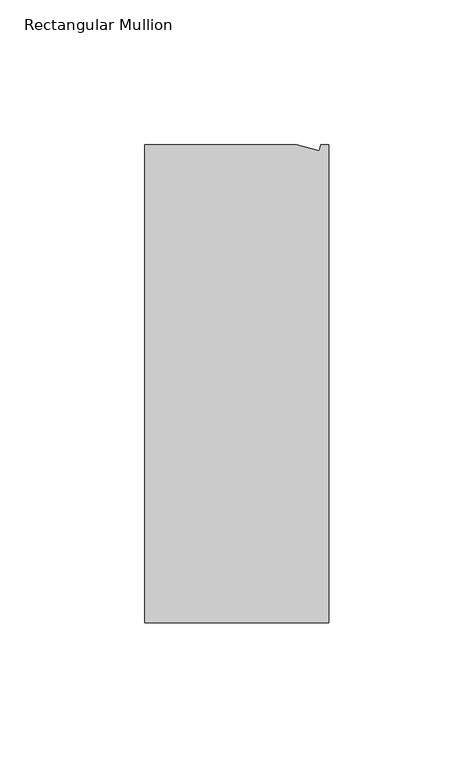
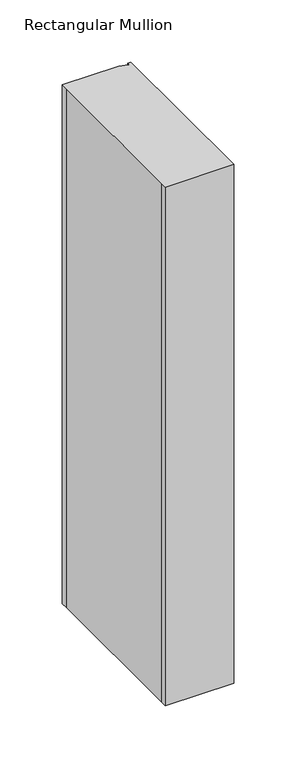
"""IFC4 building model written with IfcOpenShell, lengths in millimetres: member geometry, Rectangular Mullion."""

from ifc_helpers import new_model, si_unit, frame, origin, place, context, project, spatial, polyline, outline, extrude, source, transform, mapped, element, save


def rectangular_mullion_58906d08(model_context):
    return source(origin(), model_context, "Body", "SweptSolid", [
        extrude(outline(polyline([(0.0, -132.5561012), (-63.5, -132.5561012), (-63.5, -126.2061012), (-63.5, 26.1938988), (-63.5, 32.5438988), (-11.1125, 32.5438988), (-3.3223696, 30.4565397), (-2.7630634, 32.5438988), (0.0, 32.5438988), (0.0, -132.5561012)])), frame((0.0, 0.0, -508.0), z_axis=(0.0, 0.0, 1.0), x_axis=(1.0, 0.0, 0.0)), (0.0, 0.0, 1.0), 508.0),
    ])


if __name__ == "__main__":
    model = new_model("IFC4")
    model_context = context("Model", 3, world=origin())
    ifc_project = project(units=[si_unit("LENGTHUNIT", "METRE", prefix="MILLI")], contexts=[model_context])
    site = spatial("IfcSite", under=ifc_project)
    building = spatial("IfcBuilding", under=site)
    placement = place(None, origin())
    rectangular_mullion_shape = rectangular_mullion_58906d08(model_context)
    element("IfcMember", 1, ObjectType="Rectangular Mullion", at=placement, inside=building, context=model_context, shape_type="MappedRepresentation", body=[
        mapped(rectangular_mullion_shape, transform((0.0, 0.0, 0.0), x_axis=(1.0, 0.0, 0.0), y_axis=(0.0, 1.0, 0.0), z_axis=(0.0, 0.0, 1.0))),
    ])
    save(model, "model.ifc")
